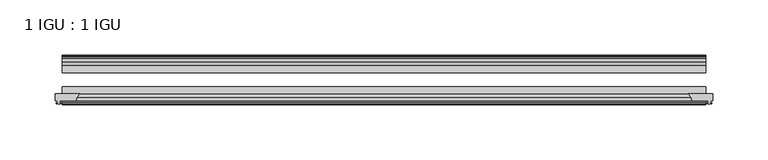
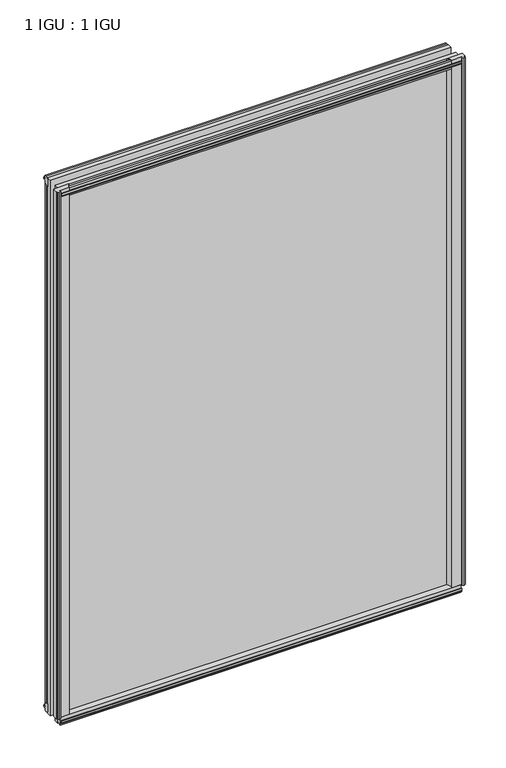
"""IFC4 building model written with IfcOpenShell, lengths in millimetres: plate geometry, 1 IGU : 1 IGU."""

from ifc_helpers import new_model, si_unit, point, frame, frame_2d, origin, origin_with_axes, place, context, project, spatial, polyline, circle_curve, trimmed, segment, composite_curve, outline, extrude, source, transform, mapped, element, save


def plate_1_igu_1_igu_4ffcae35(model_context):
    return source(origin(), model_context, "Body", "SweptSolid", [
        extrude(outline(composite_curve([segment(polyline([(275.9114314, -44.9460938), (298.45, -44.9460938), (298.45, -51.2960938), (296.545, -51.2960938), (296.2275, -53.4006957), (297.4334059, -53.0775742), (297.4334059, -53.8927506), (295.275, -54.4710938), (293.1165941, -53.8927506), (293.1165941, -53.0775742), (294.3225, -53.4006957), (294.005, -51.2960938), (279.4, -51.2960938)]), True, "CONTINUOUS"), segment(trimmed(circle_curve(frame_2d((271.9615021, -51.2493858)), 7.4386445), [point((279.4, -51.2960938))], [point((275.9114314, -44.9460938))], True, "CARTESIAN"), True, "CONTINUOUS")], self_intersect=False)), origin_with_axes(), (0.0, 0.0, 1.0), 812.7872998),
        extrude(outline(composite_curve([segment(trimmed(circle_curve(frame_2d((-271.9615021, -51.2493858)), 7.4386445), [point((-275.9114314, -44.9460937))], [point((-279.4, -51.2960937))], True, "CARTESIAN"), True, "CONTINUOUS"), segment(polyline([(-279.4, -51.2960937), (-294.005, -51.2960937), (-294.3225, -53.4006957), (-293.1165941, -53.0775742), (-293.1165941, -53.8927506), (-295.275, -54.4710937), (-297.4334059, -53.8927506), (-297.4334059, -53.0775742), (-296.2275, -53.4006957), (-296.545, -51.2960937), (-298.45, -51.2960937), (-298.45, -44.9460937), (-275.9114314, -44.9460937)]), True, "CONTINUOUS")], self_intersect=False)), origin_with_axes(), (0.0, 0.0, 1.0), 812.7872998),
        extrude(outline(polyline([(277.8142137, -19.5460937), (279.9194908, -13.1960937), (285.1266852, -13.1960937), (285.5076852, -10.8158968), (284.0921562, -11.27583), (284.0921562, -10.4746158), (286.2696852, -9.7670937), (288.4472143, -10.4746158), (288.4472143, -11.27583), (287.0316852, -10.8158968), (287.4126852, -13.1960937), (291.8576852, -13.1960937), (291.8576852, -16.1419073), (289.6446077, -19.5460937), (277.8142137, -19.5460937)])), origin_with_axes(), (0.0, 0.0, 1.0), 800.1),
        extrude(outline(polyline([(-277.8142137, -19.5460937), (-289.6446077, -19.5460937), (-291.8576852, -16.1419073), (-291.8576852, -13.1960937), (-287.4126852, -13.1960937), (-287.0316852, -10.8158968), (-288.4472143, -11.27583), (-288.4472143, -10.4746158), (-286.2696852, -9.7670937), (-284.0921562, -10.4746158), (-284.0921562, -11.27583), (-285.5076852, -10.8158968), (-285.1266852, -13.1960937), (-279.9194908, -13.1960937), (-277.8142137, -19.5460937)])), origin_with_axes(), (0.0, 0.0, 1.0), 800.1),
        extrude(outline(polyline([(-16.1419073, -12.4576852), (-19.5460937, -10.2446077), (-19.5460937, 1.5857863), (-13.1960937, -0.5194908), (-13.1960937, -5.7266852), (-10.8158968, -6.1076852), (-11.27583, -4.6921562), (-10.4746158, -4.6921562), (-9.7670937, -6.8696852), (-10.4746158, -9.0472143), (-11.27583, -9.0472143), (-10.8158968, -7.6316852), (-13.1960937, -8.0126852), (-13.1960937, -12.4576852), (-16.1419073, -12.4576852)])), frame((-292.1, 0.0, 0.0), z_axis=(1.0, 0.0, 0.0), x_axis=(0.0, 1.0, 0.0)), (0.0, 0.0, 1.0), 584.2),
        extrude(outline(polyline([(-48.3502802, -11.938), (-51.2960937, -11.938), (-51.2960937, -7.493), (-53.6762907, -7.112), (-53.2163575, -8.5275291), (-54.0175717, -8.5275291), (-54.7250937, -6.35), (-54.0175717, -4.172471), (-53.2163575, -4.172471), (-53.6762907, -5.588), (-51.2960937, -5.207), (-51.2960937, 0.0001944), (-44.9460937, 2.1054715), (-44.9460937, -9.7249225), (-48.3502802, -11.938)])), frame((-292.1, 0.0, 0.0), z_axis=(1.0, 0.0, 0.0), x_axis=(0.0, 1.0, 0.0)), (0.0, 0.0, 1.0), 584.2),
        extrude(outline(polyline([(-16.1028367, 812.5576852), (-13.1960937, 812.5576852), (-13.1960937, 808.1126852), (-10.8158968, 807.7316852), (-11.27583, 809.1472143), (-10.4746158, 809.1472143), (-9.7670937, 806.9696852), (-10.4746158, 804.7921562), (-11.27583, 804.7921562), (-10.8158968, 806.2076852), (-13.1960937, 805.8266852), (-13.1960937, 800.5940908), (-19.5460937, 798.4888137), (-19.5460937, 810.3192077), (-16.1028367, 812.5576852)])), frame((-292.1, 0.0, 0.0), z_axis=(1.0, 0.0, 0.0), x_axis=(0.0, 1.0, 0.0)), (0.0, 0.0, 1.0), 584.2),
        extrude(outline(polyline([(-48.3893508, 812.0126), (-44.9460937, 809.7741225), (-44.9460937, 797.9437285), (-51.2960937, 800.0490056), (-51.2960937, 805.2816), (-53.6762907, 805.6626), (-53.2163575, 804.247071), (-54.0175717, 804.247071), (-54.7250938, 806.4246), (-54.0175717, 808.6021291), (-53.2163575, 808.6021291), (-53.6762907, 807.1866), (-51.2960937, 807.5676), (-51.2960937, 812.0126), (-48.3893508, 812.0126)])), frame((-292.1, 0.0, 0.0), z_axis=(1.0, 0.0, 0.0), x_axis=(0.0, 1.0, 0.0)), (0.0, 0.0, 1.0), 584.2),
        extrude(outline(polyline([(292.1, -19.5460937), (292.1, -25.8337453), (-292.1, -25.8337453), (-292.1, -19.5460937), (292.1, -19.5460937)])), frame((0.0, 0.0, -12.7), z_axis=(0.0, 0.0, 1.0), x_axis=(1.0, 0.0, 0.0)), (0.0, 0.0, 1.0), 825.4872998),
        extrude(outline(polyline([(-292.1, -44.9460937), (-292.1, -38.6468938), (292.1, -38.6468938), (292.1, -44.9460937), (-292.1, -44.9460937)])), frame((0.0, 0.0, -12.7), z_axis=(0.0, 0.0, 1.0), x_axis=(1.0, 0.0, 0.0)), (0.0, 0.0, 1.0), 825.4872998),
    ])


if __name__ == "__main__":
    model = new_model("IFC4")
    model_context = context("Model", 3, world=origin())
    ifc_project = project(units=[si_unit("LENGTHUNIT", "METRE", prefix="MILLI")], contexts=[model_context])
    site = spatial("IfcSite", under=ifc_project)
    building = spatial("IfcBuilding", under=site)
    placement = place(None, origin())
    plate_1_igu_1_igu_shape = plate_1_igu_1_igu_4ffcae35(model_context)
    element("IfcPlate", 1, ObjectType="1 IGU : 1 IGU", at=placement, inside=building, context=model_context, shape_type="MappedRepresentation", body=[
        mapped(plate_1_igu_1_igu_shape, transform((0.0, 0.0, 0.0), x_axis=(1.0, 0.0, 0.0), y_axis=(0.0, 1.0, 0.0), z_axis=(0.0, 0.0, 1.0))),
    ])
    save(model, "model.ifc")
